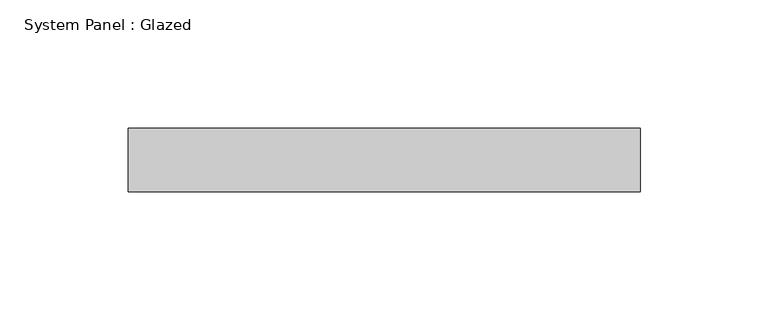
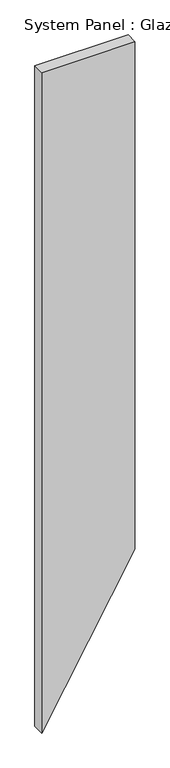
"""IFC4 building model written with IfcOpenShell, lengths in millimetres: plate geometry, System Panel : Glazed."""

from ifc_helpers import new_model, si_unit, frame, origin, place, context, project, spatial, polyline, outline, extrude, source, transform, mapped, element, save


def system_panel_glazed_3c62e617(model_context):
    return source(origin(), model_context, "Body", "SweptSolid", [
        extrude(outline(polyline([(0.0, -100.0), (346.4101615, 100.0), (1496.6678998, 100.0), (1496.6678998, -100.0), (0.0, -100.0)])), frame((0.0, 24.5, 0.0), z_axis=(0.0, 1.0, 0.0), x_axis=(0.0, 0.0, 1.0)), (0.0, 0.0, 1.0), 25.0),
    ])


if __name__ == "__main__":
    model = new_model("IFC4")
    model_context = context("Model", 3, world=origin())
    ifc_project = project(units=[si_unit("LENGTHUNIT", "METRE", prefix="MILLI")], contexts=[model_context])
    site = spatial("IfcSite", under=ifc_project)
    building = spatial("IfcBuilding", under=site)
    placement = place(None, origin())
    system_panel_glazed_shape = system_panel_glazed_3c62e617(model_context)
    element("IfcPlate", 1, ObjectType="System Panel : Glazed", at=placement, inside=building, context=model_context, shape_type="MappedRepresentation", body=[
        mapped(system_panel_glazed_shape, transform((0.0, 0.0, 0.0), x_axis=(1.0, 0.0, 0.0), y_axis=(0.0, 1.0, 0.0), z_axis=(0.0, 0.0, 1.0))),
    ])
    save(model, "model.ifc")
